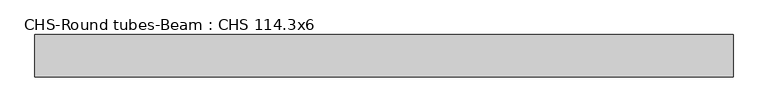
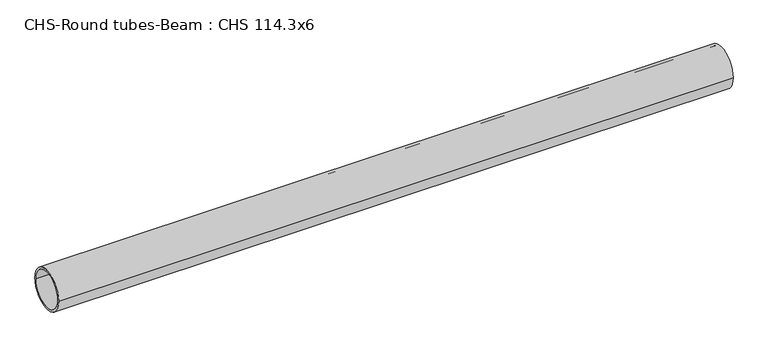
"""IFC4 building model written with IfcOpenShell, lengths in millimetres: beam geometry, CHS-Round tubes-Beam : CHS 114.3x6."""

from ifc_helpers import new_model, si_unit, point, frame, origin, origin_2d, place, context, project, spatial, circle_curve, trimmed, segment, composite_curve, outline, extrude, source, transform, mapped, element, save


def chs_round_tubes_beam_chs_114_3x6_beae3b1a(model_context):
    return source(origin(), model_context, "Body", "SweptSolid", [
        extrude(outline(composite_curve([segment(trimmed(circle_curve(origin_2d(), 57.15), [point((57.15, 0.0))], [point((-57.15, 0.0))], False, "CARTESIAN"), True, "CONTINUOUS"), segment(trimmed(circle_curve(origin_2d(), 57.15), [point((-57.15, 0.0))], [point((57.15, 0.0))], False, "CARTESIAN"), True, "CONTINUOUS")], self_intersect=False), holes=[composite_curve([segment(trimmed(circle_curve(origin_2d(), 51.15), [point((51.15, 0.0))], [point((-51.15, 0.0))], True, "CARTESIAN"), True, "CONTINUOUS"), segment(trimmed(circle_curve(origin_2d(), 51.15), [point((-51.15, 0.0))], [point((51.15, 0.0))], True, "CARTESIAN"), True, "CONTINUOUS")], self_intersect=False)]), frame((-893.3093583, 0.0, 0.0), z_axis=(1.0, 0.0, 0.0), x_axis=(0.0, 1.0, 0.0)), (0.0, 0.0, 1.0), 1877.8294849),
    ])


if __name__ == "__main__":
    model = new_model("IFC4")
    model_context = context("Model", 3, world=origin())
    ifc_project = project(units=[si_unit("LENGTHUNIT", "METRE", prefix="MILLI")], contexts=[model_context])
    site = spatial("IfcSite", under=ifc_project)
    building = spatial("IfcBuilding", under=site)
    placement = place(None, origin())
    chs_round_tubes_beam_chs_114_3x6_shape = chs_round_tubes_beam_chs_114_3x6_beae3b1a(model_context)
    element("IfcBeam", 1, ObjectType="CHS-Round tubes-Beam : CHS 114.3x6", at=placement, inside=building, context=model_context, shape_type="MappedRepresentation", body=[
        mapped(chs_round_tubes_beam_chs_114_3x6_shape, transform((0.0, 0.0, 0.0), x_axis=(1.0, 0.0, 0.0), y_axis=(0.0, 1.0, 0.0), z_axis=(0.0, 0.0, 1.0))),
    ])
    save(model, "model.ifc")
